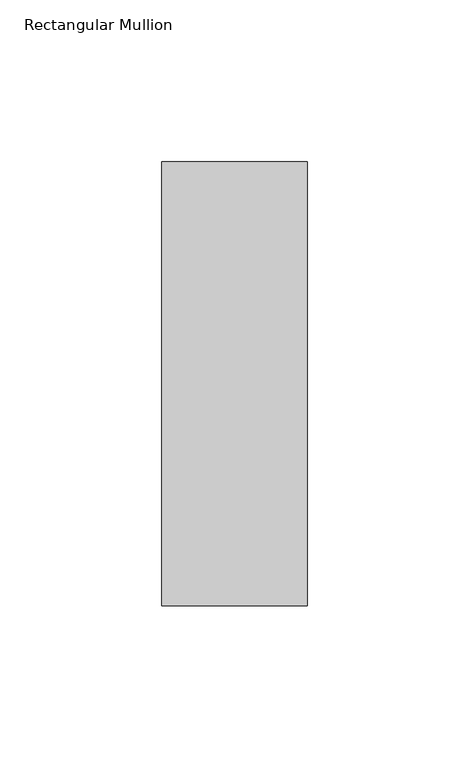
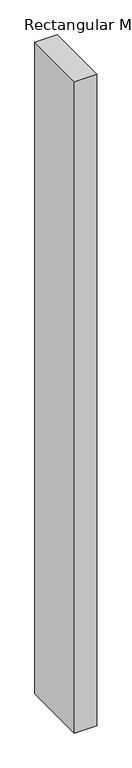
"""IFC4 building model written with IfcOpenShell, lengths in millimetres: member geometry, Rectangular Mullion."""

from ifc_helpers import new_model, si_unit, frame, origin, place, context, project, spatial, polyline, outline, extrude, source, transform, mapped, element, save


def rectangular_mullion_427620d6(model_context):
    return source(origin(), model_context, "Body", "SweptSolid", [
        extrude(outline(polyline([(22.5, 84.19375), (22.5, -53.19375), (-22.5, -53.19375), (-22.5, 84.19375), (22.5, 84.19375)])), frame((0.0, 0.0, -1380.7691406), z_axis=(0.0, 0.0, 1.0), x_axis=(1.0, 0.0, 0.0)), (0.0, 0.0, 1.0), 1380.7691406),
    ])


if __name__ == "__main__":
    model = new_model("IFC4")
    model_context = context("Model", 3, world=origin())
    ifc_project = project(units=[si_unit("LENGTHUNIT", "METRE", prefix="MILLI")], contexts=[model_context])
    site = spatial("IfcSite", under=ifc_project)
    building = spatial("IfcBuilding", under=site)
    placement = place(None, origin())
    rectangular_mullion_shape = rectangular_mullion_427620d6(model_context)
    element("IfcMember", 1, ObjectType="Rectangular Mullion", at=placement, inside=building, context=model_context, shape_type="MappedRepresentation", body=[
        mapped(rectangular_mullion_shape, transform((0.0, 0.0, 0.0), x_axis=(1.0, 0.0, 0.0), y_axis=(0.0, 1.0, 0.0), z_axis=(0.0, 0.0, 1.0))),
    ])
    save(model, "model.ifc")
